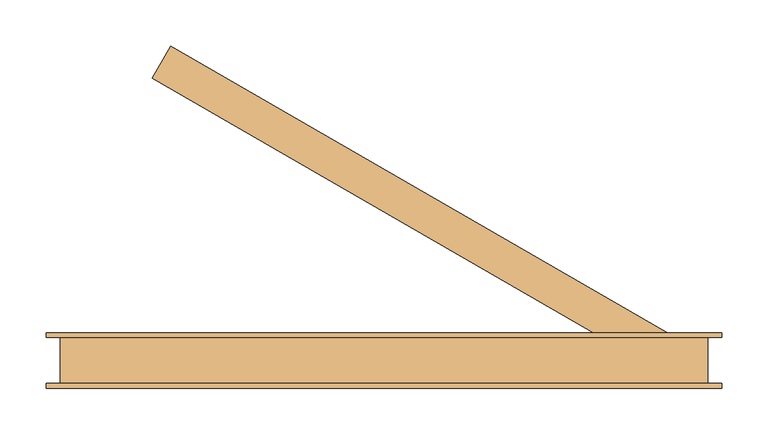
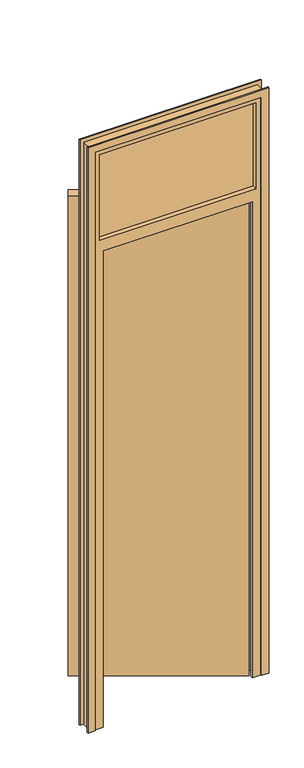
"""IFC4 building model written with IfcOpenShell, lengths in millimetres: door geometry."""

from ifc_helpers import new_model, si_unit, frame, origin, origin_with_axes, place, context, project, spatial, polyline, outline, extrude, faceted_brep, source, transform, mapped, element, save


def door_e86b7b07(model_context):
    return source(origin(), model_context, "Body", "SolidModel", [
        extrude(outline(polyline([(-285.5960044, 305.3589838), (-265.5960044, 340.0), (280.0, 25.0), (260.0, -9.6410162), (-285.5960044, 305.3589838)])), origin_with_axes(), (0.0, 0.0, 1.0), 2040.0),
        extrude(outline(polyline([(0.0, -370.0), (2460.0, -370.0), (2460.0, 300.0), (0.0, 300.0), (0.0, 330.0), (2490.0, 330.0), (2490.0, -400.0), (0.0, -400.0), (0.0, -370.0)])), frame((0.0, 25.0, 0.0), z_axis=(0.0, 1.0, 0.0), x_axis=(0.0, 0.0, 1.0)), (0.0, 0.0, 1.0), 5.0),
        extrude(outline(polyline([(0.0, -370.0), (2460.0, -370.0), (2460.0, 300.0), (0.0, 300.0), (0.0, 330.0), (2490.0, 330.0), (2490.0, -400.0), (0.0, -400.0), (0.0, -370.0)])), frame((0.0, -30.0, 0.0), z_axis=(0.0, 1.0, 0.0), x_axis=(0.0, 0.0, 1.0)), (0.0, 0.0, 1.0), 5.0),
        extrude(outline(polyline([(280.0, 6.0), (280.0, -6.0), (-350.0, -6.0), (-350.0, 6.0), (280.0, 6.0)])), frame((0.0, 0.0, 2075.0), z_axis=(0.0, 0.0, 1.0), x_axis=(1.0, 0.0, 0.0)), (0.0, 0.0, 1.0), 365.0),
        faceted_brep([(-385.0, 25.0, 0.0), (-350.0, 25.0, 0.0), (-350.0, -15.0, 0.0), (-335.0, -15.0, 0.0), (-335.0, -25.0, 0.0), (-385.0, -25.0, 0.0), (-385.0, -25.0, 2475.0), (-385.0, 25.0, 2475.0), (-335.0, -25.0, 2025.0), (265.0, -25.0, 2025.0), (265.0, -25.0, 0.0), (315.0, -25.0, 0.0), (315.0, -25.0, 2475.0), (-350.0, -25.0, 2075.0), (-350.0, -25.0, 2440.0), (280.0, -25.0, 2440.0), (280.0, -25.0, 2075.0), (-335.0, -15.0, 2025.0), (-350.0, -15.0, 2040.0), (280.0, -15.0, 2040.0), (280.0, -15.0, 0.0), (265.0, -15.0, 0.0), (265.0, -15.0, 2025.0), (-350.0, 25.0, 2040.0), (315.0, 25.0, 2475.0), (315.0, 25.0, 0.0), (280.0, 25.0, 0.0), (280.0, 25.0, 2040.0), (280.0, 25.0, 2075.0), (280.0, 25.0, 2440.0), (-350.0, 25.0, 2440.0), (-350.0, 25.0, 2075.0)], [[[0, 1, 2, 3, 4, 5]], [[5, 6, 7, 0]], [[4, 8, 9, 10, 11, 12, 6, 5], [13, 14, 15, 16]], [[3, 17, 8, 4]], [[2, 18, 19, 20, 21, 22, 17, 3]], [[1, 23, 18, 2]], [[7, 24, 25, 26, 27, 23, 1, 0], [28, 29, 30, 31]], [[11, 25, 24, 12]], [[10, 21, 20, 26, 25, 11]], [[9, 22, 21, 10]], [[19, 27, 26, 20]], [[7, 6, 12, 24]], [[28, 16, 15, 29]], [[29, 15, 14, 30]], [[30, 14, 13, 31]], [[16, 28, 31, 13]], [[8, 17, 22, 9]], [[18, 23, 27, 19]]]),
    ])


if __name__ == "__main__":
    model = new_model("IFC4")
    model_context = context("Model", 3, world=origin())
    ifc_project = project(units=[si_unit("LENGTHUNIT", "METRE", prefix="MILLI")], contexts=[model_context])
    site = spatial("IfcSite", under=ifc_project)
    building = spatial("IfcBuilding", under=site)
    placement = place(None, origin())
    door_shape = door_e86b7b07(model_context)
    element("IfcDoor", 1, at=placement, inside=building, context=model_context, shape_type="MappedRepresentation", body=[
        mapped(door_shape, transform((0.0, 0.0, 0.0), x_axis=(1.0, 0.0, 0.0), y_axis=(0.0, 1.0, 0.0), z_axis=(0.0, 0.0, 1.0))),
    ])
    save(model, "model.ifc")
